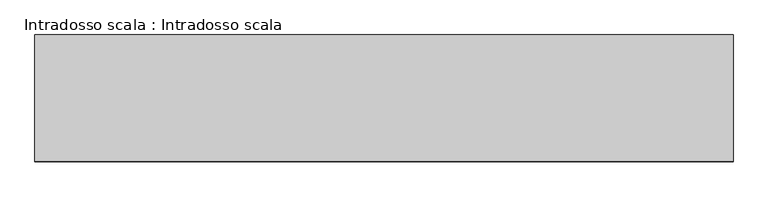
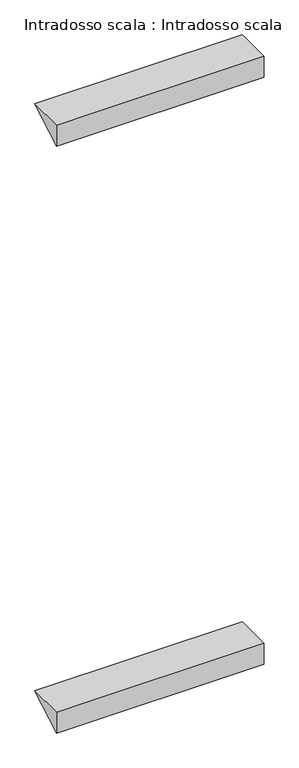
"""IFC4 building model written with IfcOpenShell, lengths in millimetres: stair geometry, Intradosso scala : Intradosso scala."""

from ifc_helpers import new_model, si_unit, frame, origin, place, context, project, spatial, polyline, outline, extrude, source, transform, mapped, element, save


def intradosso_scala_intradosso_scala_0c1c148e(model_context):
    return source(origin(), model_context, "Body", "SweptSolid", [
        extrude(outline(polyline([(2215.2434867, 9300.0), (2477.5853586, 9300.0), (2215.2434867, 9146.6245796), (2215.2434867, 9300.0)])), frame((-2340.6424823, 0.0, 0.0), z_axis=(1.0, 0.0, 0.0), x_axis=(0.0, 1.0, 0.0)), (0.0, 0.0, 1.0), 1450.0),
        extrude(outline(polyline([(2215.2434867, 4970.0), (2477.5853586, 4970.0), (2215.2434867, 4816.6245796), (2215.2434867, 4970.0)])), frame((-2340.6424823, 0.0, 0.0), z_axis=(1.0, 0.0, 0.0), x_axis=(0.0, 1.0, 0.0)), (0.0, 0.0, 1.0), 1450.0),
    ])


if __name__ == "__main__":
    model = new_model("IFC4")
    model_context = context("Model", 3, world=origin())
    ifc_project = project(units=[si_unit("LENGTHUNIT", "METRE", prefix="MILLI")], contexts=[model_context])
    site = spatial("IfcSite", under=ifc_project)
    building = spatial("IfcBuilding", under=site)
    placement = place(None, origin())
    intradosso_scala_intradosso_scala_shape = intradosso_scala_intradosso_scala_0c1c148e(model_context)
    element("IfcStair", 1, ObjectType="Intradosso scala : Intradosso scala", at=placement, inside=building, context=model_context, shape_type="MappedRepresentation", body=[
        mapped(intradosso_scala_intradosso_scala_shape, transform((0.0, 0.0, 0.0), x_axis=(1.0, 0.0, 0.0), y_axis=(0.0, 1.0, 0.0), z_axis=(0.0, 0.0, 1.0))),
    ])
    save(model, "model.ifc")
